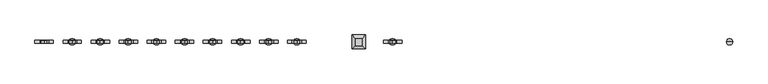
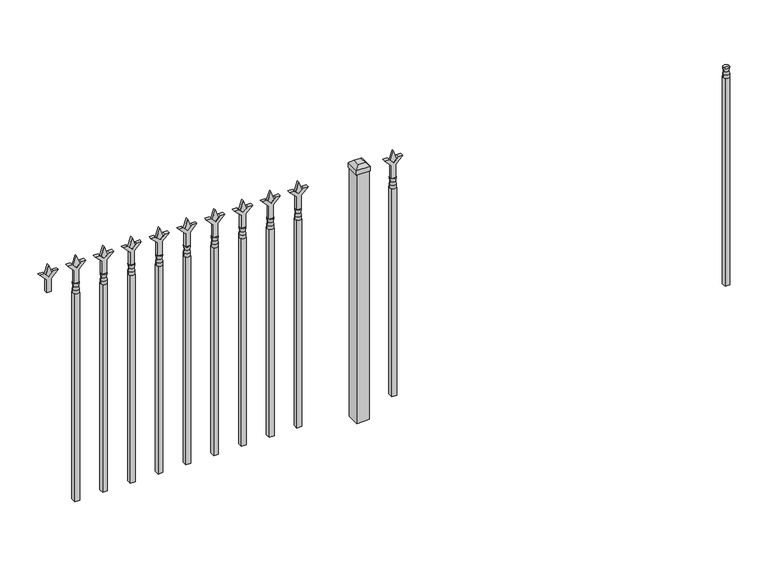
"""IFC4 building model written with IfcOpenShell, lengths in millimetres: railing geometry."""

from ifc_helpers import new_model, si_unit, frame, origin, origin_with_axes, place, context, project, spatial, polyline, circle_curve, outline, extrude, faceted_brep, source, transform, mapped, element, save
from ifc_brep_helpers import plane_surface, cylinder_surface, revolved_surface, advanced_brep


def railing_9d9645b8(model_context):
    return source(origin(), model_context, "Body", "SolidModel", [
        advanced_brep(
        [(-82699.574337, -9169.6570174, 927.1), (-82723.386837, -9169.6570174, 927.1), (-82723.386837, -9169.6570174, 914.4), (-82699.574337, -9169.6570174, 914.4), (-82701.7796688, -9169.6570174, 939.6070585), (-82721.1815051, -9169.6570174, 939.6070585), (-82699.574337, -9169.6570174, 955.675), (-82723.386837, -9169.6570174, 955.675), (-82711.480587, -9169.6570174, 955.675), (-82711.480587, -9169.6570174, 914.4)],
        [
            (0, 1, circle_curve(frame((-82711.480587, -9169.6570174, 927.1), z_axis=(0.0, 0.0, -1.0), x_axis=(-1.0, 0.0, 0.0)), 11.90625)),
            (1, 2),
            (2, 3, circle_curve(frame((-82711.480587, -9169.6570174, 914.4), z_axis=(0.0, 0.0, 1.0), x_axis=(-1.0, 0.0, 0.0)), 11.90625)),
            (3, 0),
            (1, 0, circle_curve(frame((-82711.480587, -9169.6570174, 927.1), z_axis=(0.0, 0.0, -1.0), x_axis=(-1.0, 0.0, 0.0)), 11.90625)),
            (3, 2, circle_curve(frame((-82711.480587, -9169.6570174, 914.4), z_axis=(0.0, 0.0, 1.0), x_axis=(-1.0, 0.0, 0.0)), 11.90625)),
            (4, 5, circle_curve(frame((-82711.480587, -9169.6570174, 939.6070585), z_axis=(0.0, 0.0, -1.0), x_axis=(-1.0, 0.0, 0.0)), 9.7009181)),
            (5, 1),
            (0, 4),
            (5, 4, circle_curve(frame((-82711.480587, -9169.6570174, 939.6070585), z_axis=(0.0, 0.0, -1.0), x_axis=(-1.0, 0.0, 0.0)), 9.7009181)),
            (6, 7, circle_curve(frame((-82711.480587, -9169.6570174, 955.675), z_axis=(0.0, 0.0, -1.0), x_axis=(-1.0, 0.0, 0.0)), 11.90625)),
            (7, 5),
            (4, 6),
            (7, 6, circle_curve(frame((-82711.480587, -9169.6570174, 955.675), z_axis=(0.0, 0.0, -1.0), x_axis=(-1.0, 0.0, 0.0)), 11.90625)),
            (8, 7),
            (6, 8),
            (2, 9),
            (9, 3),
        ],
        [
            cylinder_surface(frame((-82711.480587, -9169.6570174, 914.4), z_axis=(0.0, 0.0, 1.0), x_axis=(-1.0, 0.0, 0.0)), 11.90625),
            revolved_surface(polyline([(-82723.386837, -9169.6570174, 927.1), (-82721.1815051, -9169.6570174, 939.6070585)]), (-82711.480587, -9169.6570174, 914.4), (0.0, 0.0, 1.0)),
            revolved_surface(polyline([(-82721.1815051, -9169.6570174, 939.6070585), (-82723.386837, -9169.6570174, 955.675)]), (-82711.480587, -9169.6570174, 914.4), (0.0, 0.0, 1.0)),
            plane_surface(frame((-82711.480587, -9169.6570174, 955.675), z_axis=(0.0, 0.0, 1.0), x_axis=(-1.0, 0.0, 0.0))),
            plane_surface(frame((-82711.480587, -9169.6570174, 914.4), z_axis=(0.0, 0.0, -1.0), x_axis=(-1.0, 0.0, 0.0))),
        ],
        [
            (0, [[1, 2, 3, 4]]),
            (0, [[5, -4, 6, -2]]),
            (1, [[7, 8, -1, 9]]),
            (1, [[10, -9, -5, -8]]),
            (2, [[11, 12, -7, 13]]),
            (2, [[14, -13, -10, -12]]),
            (3, [[15, -11, 16]]),
            (3, [[-16, -14, -15]]),
            (4, [[-3, 17, 18]]),
            (4, [[-6, -18, -17]]),
        ],
    ),
        extrude(outline(polyline([(-82721.005587, -9160.1320174), (-82701.955587, -9160.1320174), (-82701.955587, -9179.1820174), (-82721.005587, -9179.1820174), (-82721.005587, -9160.1320174)])), frame((0.0, 0.0, 50.8), z_axis=(0.0, 0.0, 1.0), x_axis=(1.0, 0.0, 0.0)), (0.0, 0.0, 1.0), 863.6),
        extrude(outline(polyline([(1031.08125, -84010.849337), (1066.8, -84022.755587), (1031.08125, -84034.661837), (1019.175, -84022.755587), (1031.08125, -84010.849337)])), frame((0.0, -9174.4195174, 0.0), z_axis=(0.0, 1.0, 0.0), x_axis=(0.0, 0.0, 1.0)), (0.0, 0.0, 1.0), 9.525),
        extrude(outline(polyline([(955.675, -84014.024337), (1009.9457378, -84014.024337), (1037.1355122, -83986.8345625), (1037.1355122, -84004.7950747), (1019.175, -84022.755587), (1037.1355122, -84040.7160992), (1037.1355122, -84058.6766114), (1009.9457378, -84031.486837), (955.675, -84031.486837), (955.675, -84014.024337)])), frame((0.0, -9176.0070174, 0.0), z_axis=(0.0, 1.0, 0.0), x_axis=(0.0, 0.0, 1.0)), (0.0, 0.0, 1.0), 12.7),
        advanced_brep(
        [(-84010.849337, -9169.6570174, 927.1), (-84034.661837, -9169.6570174, 927.1), (-84034.661837, -9169.6570174, 914.4), (-84010.849337, -9169.6570174, 914.4), (-84013.0546688, -9169.6570174, 939.6070585), (-84032.4565051, -9169.6570174, 939.6070585), (-84010.849337, -9169.6570174, 955.675), (-84034.661837, -9169.6570174, 955.675), (-84022.755587, -9169.6570174, 955.675), (-84022.755587, -9169.6570174, 914.4)],
        [
            (0, 1, circle_curve(frame((-84022.755587, -9169.6570174, 927.1), z_axis=(0.0, 0.0, -1.0), x_axis=(-1.0, 0.0, 0.0)), 11.90625)),
            (1, 2),
            (2, 3, circle_curve(frame((-84022.755587, -9169.6570174, 914.4), z_axis=(0.0, 0.0, 1.0), x_axis=(-1.0, 0.0, 0.0)), 11.90625)),
            (3, 0),
            (1, 0, circle_curve(frame((-84022.755587, -9169.6570174, 927.1), z_axis=(0.0, 0.0, -1.0), x_axis=(-1.0, 0.0, 0.0)), 11.90625)),
            (3, 2, circle_curve(frame((-84022.755587, -9169.6570174, 914.4), z_axis=(0.0, 0.0, 1.0), x_axis=(-1.0, 0.0, 0.0)), 11.90625)),
            (4, 5, circle_curve(frame((-84022.755587, -9169.6570174, 939.6070585), z_axis=(0.0, 0.0, -1.0), x_axis=(-1.0, 0.0, 0.0)), 9.7009181)),
            (5, 1),
            (0, 4),
            (5, 4, circle_curve(frame((-84022.755587, -9169.6570174, 939.6070585), z_axis=(0.0, 0.0, -1.0), x_axis=(-1.0, 0.0, 0.0)), 9.7009181)),
            (6, 7, circle_curve(frame((-84022.755587, -9169.6570174, 955.675), z_axis=(0.0, 0.0, -1.0), x_axis=(-1.0, 0.0, 0.0)), 11.90625)),
            (7, 5),
            (4, 6),
            (7, 6, circle_curve(frame((-84022.755587, -9169.6570174, 955.675), z_axis=(0.0, 0.0, -1.0), x_axis=(-1.0, 0.0, 0.0)), 11.90625)),
            (8, 7),
            (6, 8),
            (2, 9),
            (9, 3),
        ],
        [
            cylinder_surface(frame((-84022.755587, -9169.6570174, 914.4), z_axis=(0.0, 0.0, 1.0), x_axis=(-1.0, 0.0, 0.0)), 11.90625),
            revolved_surface(polyline([(-84034.661837, -9169.6570174, 927.1), (-84032.4565051, -9169.6570174, 939.6070585)]), (-84022.755587, -9169.6570174, 914.4), (0.0, 0.0, 1.0)),
            revolved_surface(polyline([(-84032.4565051, -9169.6570174, 939.6070585), (-84034.661837, -9169.6570174, 955.675)]), (-84022.755587, -9169.6570174, 914.4), (0.0, 0.0, 1.0)),
            plane_surface(frame((-84022.755587, -9169.6570174, 955.675), z_axis=(0.0, 0.0, 1.0), x_axis=(-1.0, 0.0, 0.0))),
            plane_surface(frame((-84022.755587, -9169.6570174, 914.4), z_axis=(0.0, 0.0, -1.0), x_axis=(-1.0, 0.0, 0.0))),
        ],
        [
            (0, [[1, 2, 3, 4]]),
            (0, [[5, -4, 6, -2]]),
            (1, [[7, 8, -1, 9]]),
            (1, [[10, -9, -5, -8]]),
            (2, [[11, 12, -7, 13]]),
            (2, [[14, -13, -10, -12]]),
            (3, [[15, -11, 16]]),
            (3, [[-16, -14, -15]]),
            (4, [[-3, 17, 18]]),
            (4, [[-6, -18, -17]]),
        ],
    ),
        extrude(outline(polyline([(-84032.280587, -9160.1320174), (-84013.230587, -9160.1320174), (-84013.230587, -9179.1820174), (-84032.280587, -9179.1820174), (-84032.280587, -9160.1320174)])), frame((0.0, 0.0, 50.8), z_axis=(0.0, 0.0, 1.0), x_axis=(1.0, 0.0, 0.0)), (0.0, 0.0, 1.0), 863.6),
        faceted_brep([(-84181.505587, -9142.6695174, 1054.1), (-84181.505587, -9142.6695174, 1035.05), (-84181.505587, -9196.6445174, 1035.05), (-84181.505587, -9196.6445174, 1054.1), (-84168.805587, -9155.3695174, 1066.8), (-84168.805587, -9183.9445174, 1066.8), (-84127.530587, -9196.6445174, 1035.05), (-84127.530587, -9196.6445174, 1054.1), (-84140.230587, -9183.9445174, 1066.8), (-84127.530587, -9142.6695174, 1035.05), (-84127.530587, -9142.6695174, 1054.1), (-84140.230587, -9155.3695174, 1066.8)], [[[0, 1, 2, 3]], [[4, 0, 3, 5]], [[3, 2, 6, 7]], [[5, 3, 7, 8]], [[7, 6, 9, 10]], [[8, 7, 10, 11]], [[10, 9, 1, 0]], [[11, 10, 0, 4]], [[5, 8, 11, 4]], [[1, 9, 6, 2]]]),
        extrude(outline(polyline([(-84129.118087, -9144.2570174), (-84129.118087, -9195.0570174), (-84179.918087, -9195.0570174), (-84179.918087, -9144.2570174), (-84129.118087, -9144.2570174)])), origin_with_axes(), (0.0, 0.0, 1.0), 1035.05),
        extrude(outline(polyline([(1031.08125, -84383.6472536), (1066.8, -84395.5535036), (1031.08125, -84407.4597536), (1019.175, -84395.5535036), (1031.08125, -84383.6472536)])), frame((0.0, -9174.4195174, 0.0), z_axis=(0.0, 1.0, 0.0), x_axis=(0.0, 0.0, 1.0)), (0.0, 0.0, 1.0), 9.525),
        extrude(outline(polyline([(955.675, -84386.8222536), (1009.9457378, -84386.8222536), (1037.1355122, -84359.6324791), (1037.1355122, -84377.5929914), (1019.175, -84395.5535036), (1037.1355122, -84413.5140159), (1037.1355122, -84431.4745281), (1009.9457378, -84404.2847536), (955.675, -84404.2847536), (955.675, -84386.8222536)])), frame((0.0, -9176.0070174, 0.0), z_axis=(0.0, 1.0, 0.0), x_axis=(0.0, 0.0, 1.0)), (0.0, 0.0, 1.0), 12.7),
        advanced_brep(
        [(-84383.6472536, -9169.6570174, 927.1), (-84407.4597536, -9169.6570174, 927.1), (-84407.4597536, -9169.6570174, 914.4), (-84383.6472536, -9169.6570174, 914.4), (-84385.8525855, -9169.6570174, 939.6070585), (-84405.2544218, -9169.6570174, 939.6070585), (-84383.6472536, -9169.6570174, 955.675), (-84407.4597536, -9169.6570174, 955.675), (-84395.5535036, -9169.6570174, 955.675), (-84395.5535036, -9169.6570174, 914.4)],
        [
            (0, 1, circle_curve(frame((-84395.5535036, -9169.6570174, 927.1), z_axis=(0.0, 0.0, -1.0), x_axis=(-1.0, 0.0, 0.0)), 11.90625)),
            (1, 2),
            (2, 3, circle_curve(frame((-84395.5535036, -9169.6570174, 914.4), z_axis=(0.0, 0.0, 1.0), x_axis=(-1.0, 0.0, 0.0)), 11.90625)),
            (3, 0),
            (1, 0, circle_curve(frame((-84395.5535036, -9169.6570174, 927.1), z_axis=(0.0, 0.0, -1.0), x_axis=(-1.0, 0.0, 0.0)), 11.90625)),
            (3, 2, circle_curve(frame((-84395.5535036, -9169.6570174, 914.4), z_axis=(0.0, 0.0, 1.0), x_axis=(-1.0, 0.0, 0.0)), 11.90625)),
            (4, 5, circle_curve(frame((-84395.5535036, -9169.6570174, 939.6070585), z_axis=(0.0, 0.0, -1.0), x_axis=(-1.0, 0.0, 0.0)), 9.7009181)),
            (5, 1),
            (0, 4),
            (5, 4, circle_curve(frame((-84395.5535036, -9169.6570174, 939.6070585), z_axis=(0.0, 0.0, -1.0), x_axis=(-1.0, 0.0, 0.0)), 9.7009181)),
            (6, 7, circle_curve(frame((-84395.5535036, -9169.6570174, 955.675), z_axis=(0.0, 0.0, -1.0), x_axis=(-1.0, 0.0, 0.0)), 11.90625)),
            (7, 5),
            (4, 6),
            (7, 6, circle_curve(frame((-84395.5535036, -9169.6570174, 955.675), z_axis=(0.0, 0.0, -1.0), x_axis=(-1.0, 0.0, 0.0)), 11.90625)),
            (8, 7),
            (6, 8),
            (2, 9),
            (9, 3),
        ],
        [
            cylinder_surface(frame((-84395.5535036, -9169.6570174, 914.4), z_axis=(0.0, 0.0, 1.0), x_axis=(-1.0, 0.0, 0.0)), 11.90625),
            revolved_surface(polyline([(-84407.4597536, -9169.6570174, 927.1), (-84405.2544218, -9169.6570174, 939.6070585)]), (-84395.5535036, -9169.6570174, 914.4), (0.0, 0.0, 1.0)),
            revolved_surface(polyline([(-84405.2544218, -9169.6570174, 939.6070585), (-84407.4597536, -9169.6570174, 955.675)]), (-84395.5535036, -9169.6570174, 914.4), (0.0, 0.0, 1.0)),
            plane_surface(frame((-84395.5535036, -9169.6570174, 955.675), z_axis=(0.0, 0.0, 1.0), x_axis=(-1.0, 0.0, 0.0))),
            plane_surface(frame((-84395.5535036, -9169.6570174, 914.4), z_axis=(0.0, 0.0, -1.0), x_axis=(-1.0, 0.0, 0.0))),
        ],
        [
            (0, [[1, 2, 3, 4]]),
            (0, [[5, -4, 6, -2]]),
            (1, [[7, 8, -1, 9]]),
            (1, [[10, -9, -5, -8]]),
            (2, [[11, 12, -7, 13]]),
            (2, [[14, -13, -10, -12]]),
            (3, [[15, -11, 16]]),
            (3, [[-16, -14, -15]]),
            (4, [[-3, 17, 18]]),
            (4, [[-6, -18, -17]]),
        ],
    ),
        extrude(outline(polyline([(-84405.0785036, -9160.1320174), (-84386.0285036, -9160.1320174), (-84386.0285036, -9179.1820174), (-84405.0785036, -9179.1820174), (-84405.0785036, -9160.1320174)])), frame((0.0, 0.0, 50.8), z_axis=(0.0, 0.0, 1.0), x_axis=(1.0, 0.0, 0.0)), (0.0, 0.0, 1.0), 863.6),
        extrude(outline(polyline([(1031.08125, -84492.9201703), (1066.8, -84504.8264203), (1031.08125, -84516.7326703), (1019.175, -84504.8264203), (1031.08125, -84492.9201703)])), frame((0.0, -9174.4195174, 0.0), z_axis=(0.0, 1.0, 0.0), x_axis=(0.0, 0.0, 1.0)), (0.0, 0.0, 1.0), 9.525),
        extrude(outline(polyline([(955.675, -84496.0951703), (1009.9457378, -84496.0951703), (1037.1355122, -84468.9053958), (1037.1355122, -84486.8659081), (1019.175, -84504.8264203), (1037.1355122, -84522.7869325), (1037.1355122, -84540.7474448), (1009.9457378, -84513.5576703), (955.675, -84513.5576703), (955.675, -84496.0951703)])), frame((0.0, -9176.0070174, 0.0), z_axis=(0.0, 1.0, 0.0), x_axis=(0.0, 0.0, 1.0)), (0.0, 0.0, 1.0), 12.7),
        advanced_brep(
        [(-84492.9201703, -9169.6570174, 927.1), (-84516.7326703, -9169.6570174, 927.1), (-84516.7326703, -9169.6570174, 914.4), (-84492.9201703, -9169.6570174, 914.4), (-84495.1255022, -9169.6570174, 939.6070585), (-84514.5273384, -9169.6570174, 939.6070585), (-84492.9201703, -9169.6570174, 955.675), (-84516.7326703, -9169.6570174, 955.675), (-84504.8264203, -9169.6570174, 955.675), (-84504.8264203, -9169.6570174, 914.4)],
        [
            (0, 1, circle_curve(frame((-84504.8264203, -9169.6570174, 927.1), z_axis=(0.0, 0.0, -1.0), x_axis=(-1.0, 0.0, 0.0)), 11.90625)),
            (1, 2),
            (2, 3, circle_curve(frame((-84504.8264203, -9169.6570174, 914.4), z_axis=(0.0, 0.0, 1.0), x_axis=(-1.0, 0.0, 0.0)), 11.90625)),
            (3, 0),
            (1, 0, circle_curve(frame((-84504.8264203, -9169.6570174, 927.1), z_axis=(0.0, 0.0, -1.0), x_axis=(-1.0, 0.0, 0.0)), 11.90625)),
            (3, 2, circle_curve(frame((-84504.8264203, -9169.6570174, 914.4), z_axis=(0.0, 0.0, 1.0), x_axis=(-1.0, 0.0, 0.0)), 11.90625)),
            (4, 5, circle_curve(frame((-84504.8264203, -9169.6570174, 939.6070585), z_axis=(0.0, 0.0, -1.0), x_axis=(-1.0, 0.0, 0.0)), 9.7009181)),
            (5, 1),
            (0, 4),
            (5, 4, circle_curve(frame((-84504.8264203, -9169.6570174, 939.6070585), z_axis=(0.0, 0.0, -1.0), x_axis=(-1.0, 0.0, 0.0)), 9.7009181)),
            (6, 7, circle_curve(frame((-84504.8264203, -9169.6570174, 955.675), z_axis=(0.0, 0.0, -1.0), x_axis=(-1.0, 0.0, 0.0)), 11.90625)),
            (7, 5),
            (4, 6),
            (7, 6, circle_curve(frame((-84504.8264203, -9169.6570174, 955.675), z_axis=(0.0, 0.0, -1.0), x_axis=(-1.0, 0.0, 0.0)), 11.90625)),
            (8, 7),
            (6, 8),
            (2, 9),
            (9, 3),
        ],
        [
            cylinder_surface(frame((-84504.8264203, -9169.6570174, 914.4), z_axis=(0.0, 0.0, 1.0), x_axis=(-1.0, 0.0, 0.0)), 11.90625),
            revolved_surface(polyline([(-84516.7326703, -9169.6570174, 927.1), (-84514.5273384, -9169.6570174, 939.6070585)]), (-84504.8264203, -9169.6570174, 914.4), (0.0, 0.0, 1.0)),
            revolved_surface(polyline([(-84514.5273384, -9169.6570174, 939.6070585), (-84516.7326703, -9169.6570174, 955.675)]), (-84504.8264203, -9169.6570174, 914.4), (0.0, 0.0, 1.0)),
            plane_surface(frame((-84504.8264203, -9169.6570174, 955.675), z_axis=(0.0, 0.0, 1.0), x_axis=(-1.0, 0.0, 0.0))),
            plane_surface(frame((-84504.8264203, -9169.6570174, 914.4), z_axis=(0.0, 0.0, -1.0), x_axis=(-1.0, 0.0, 0.0))),
        ],
        [
            (0, [[1, 2, 3, 4]]),
            (0, [[5, -4, 6, -2]]),
            (1, [[7, 8, -1, 9]]),
            (1, [[10, -9, -5, -8]]),
            (2, [[11, 12, -7, 13]]),
            (2, [[14, -13, -10, -12]]),
            (3, [[15, -11, 16]]),
            (3, [[-16, -14, -15]]),
            (4, [[-3, 17, 18]]),
            (4, [[-6, -18, -17]]),
        ],
    ),
        extrude(outline(polyline([(-84514.3514203, -9160.1320174), (-84495.3014203, -9160.1320174), (-84495.3014203, -9179.1820174), (-84514.3514203, -9179.1820174), (-84514.3514203, -9160.1320174)])), frame((0.0, 0.0, 50.8), z_axis=(0.0, 0.0, 1.0), x_axis=(1.0, 0.0, 0.0)), (0.0, 0.0, 1.0), 863.6),
        extrude(outline(polyline([(1031.08125, -84602.193087), (1066.8, -84614.099337), (1031.08125, -84626.005587), (1019.175, -84614.099337), (1031.08125, -84602.193087)])), frame((0.0, -9174.4195174, 0.0), z_axis=(0.0, 1.0, 0.0), x_axis=(0.0, 0.0, 1.0)), (0.0, 0.0, 1.0), 9.525),
        extrude(outline(polyline([(955.675, -84605.368087), (1009.9457378, -84605.368087), (1037.1355122, -84578.1783125), (1037.1355122, -84596.1388247), (1019.175, -84614.099337), (1037.1355122, -84632.0598492), (1037.1355122, -84650.0203614), (1009.9457378, -84622.830587), (955.675, -84622.830587), (955.675, -84605.368087)])), frame((0.0, -9176.0070174, 0.0), z_axis=(0.0, 1.0, 0.0), x_axis=(0.0, 0.0, 1.0)), (0.0, 0.0, 1.0), 12.7),
        advanced_brep(
        [(-84602.193087, -9169.6570174, 927.1), (-84626.005587, -9169.6570174, 927.1), (-84626.005587, -9169.6570174, 914.4), (-84602.193087, -9169.6570174, 914.4), (-84604.3984188, -9169.6570174, 939.6070585), (-84623.8002551, -9169.6570174, 939.6070585), (-84602.193087, -9169.6570174, 955.675), (-84626.005587, -9169.6570174, 955.675), (-84614.099337, -9169.6570174, 955.675), (-84614.099337, -9169.6570174, 914.4)],
        [
            (0, 1, circle_curve(frame((-84614.099337, -9169.6570174, 927.1), z_axis=(0.0, 0.0, -1.0), x_axis=(-1.0, 0.0, 0.0)), 11.90625)),
            (1, 2),
            (2, 3, circle_curve(frame((-84614.099337, -9169.6570174, 914.4), z_axis=(0.0, 0.0, 1.0), x_axis=(-1.0, 0.0, 0.0)), 11.90625)),
            (3, 0),
            (1, 0, circle_curve(frame((-84614.099337, -9169.6570174, 927.1), z_axis=(0.0, 0.0, -1.0), x_axis=(-1.0, 0.0, 0.0)), 11.90625)),
            (3, 2, circle_curve(frame((-84614.099337, -9169.6570174, 914.4), z_axis=(0.0, 0.0, 1.0), x_axis=(-1.0, 0.0, 0.0)), 11.90625)),
            (4, 5, circle_curve(frame((-84614.099337, -9169.6570174, 939.6070585), z_axis=(0.0, 0.0, -1.0), x_axis=(-1.0, 0.0, 0.0)), 9.7009181)),
            (5, 1),
            (0, 4),
            (5, 4, circle_curve(frame((-84614.099337, -9169.6570174, 939.6070585), z_axis=(0.0, 0.0, -1.0), x_axis=(-1.0, 0.0, 0.0)), 9.7009181)),
            (6, 7, circle_curve(frame((-84614.099337, -9169.6570174, 955.675), z_axis=(0.0, 0.0, -1.0), x_axis=(-1.0, 0.0, 0.0)), 11.90625)),
            (7, 5),
            (4, 6),
            (7, 6, circle_curve(frame((-84614.099337, -9169.6570174, 955.675), z_axis=(0.0, 0.0, -1.0), x_axis=(-1.0, 0.0, 0.0)), 11.90625)),
            (8, 7),
            (6, 8),
            (2, 9),
            (9, 3),
        ],
        [
            cylinder_surface(frame((-84614.099337, -9169.6570174, 914.4), z_axis=(0.0, 0.0, 1.0), x_axis=(-1.0, 0.0, 0.0)), 11.90625),
            revolved_surface(polyline([(-84626.005587, -9169.6570174, 927.1), (-84623.8002551, -9169.6570174, 939.6070585)]), (-84614.099337, -9169.6570174, 914.4), (0.0, 0.0, 1.0)),
            revolved_surface(polyline([(-84623.8002551, -9169.6570174, 939.6070585), (-84626.005587, -9169.6570174, 955.675)]), (-84614.099337, -9169.6570174, 914.4), (0.0, 0.0, 1.0)),
            plane_surface(frame((-84614.099337, -9169.6570174, 955.675), z_axis=(0.0, 0.0, 1.0), x_axis=(-1.0, 0.0, 0.0))),
            plane_surface(frame((-84614.099337, -9169.6570174, 914.4), z_axis=(0.0, 0.0, -1.0), x_axis=(-1.0, 0.0, 0.0))),
        ],
        [
            (0, [[1, 2, 3, 4]]),
            (0, [[5, -4, 6, -2]]),
            (1, [[7, 8, -1, 9]]),
            (1, [[10, -9, -5, -8]]),
            (2, [[11, 12, -7, 13]]),
            (2, [[14, -13, -10, -12]]),
            (3, [[15, -11, 16]]),
            (3, [[-16, -14, -15]]),
            (4, [[-3, 17, 18]]),
            (4, [[-6, -18, -17]]),
        ],
    ),
        extrude(outline(polyline([(-84623.624337, -9160.1320174), (-84604.574337, -9160.1320174), (-84604.574337, -9179.1820174), (-84623.624337, -9179.1820174), (-84623.624337, -9160.1320174)])), frame((0.0, 0.0, 50.8), z_axis=(0.0, 0.0, 1.0), x_axis=(1.0, 0.0, 0.0)), (0.0, 0.0, 1.0), 863.6),
        extrude(outline(polyline([(1031.08125, -84711.4660036), (1066.8, -84723.3722536), (1031.08125, -84735.2785036), (1019.175, -84723.3722536), (1031.08125, -84711.4660036)])), frame((0.0, -9174.4195174, 0.0), z_axis=(0.0, 1.0, 0.0), x_axis=(0.0, 0.0, 1.0)), (0.0, 0.0, 1.0), 9.525),
        extrude(outline(polyline([(955.675, -84714.6410036), (1009.9457378, -84714.6410036), (1037.1355122, -84687.4512291), (1037.1355122, -84705.4117414), (1019.175, -84723.3722536), (1037.1355122, -84741.3327659), (1037.1355122, -84759.2932781), (1009.9457378, -84732.1035036), (955.675, -84732.1035036), (955.675, -84714.6410036)])), frame((0.0, -9176.0070174, 0.0), z_axis=(0.0, 1.0, 0.0), x_axis=(0.0, 0.0, 1.0)), (0.0, 0.0, 1.0), 12.7),
        advanced_brep(
        [(-84711.4660036, -9169.6570174, 927.1), (-84735.2785036, -9169.6570174, 927.1), (-84735.2785036, -9169.6570174, 914.4), (-84711.4660036, -9169.6570174, 914.4), (-84713.6713355, -9169.6570174, 939.6070585), (-84733.0731718, -9169.6570174, 939.6070585), (-84711.4660036, -9169.6570174, 955.675), (-84735.2785036, -9169.6570174, 955.675), (-84723.3722536, -9169.6570174, 955.675), (-84723.3722536, -9169.6570174, 914.4)],
        [
            (0, 1, circle_curve(frame((-84723.3722536, -9169.6570174, 927.1), z_axis=(0.0, 0.0, -1.0), x_axis=(-1.0, 0.0, 0.0)), 11.90625)),
            (1, 2),
            (2, 3, circle_curve(frame((-84723.3722536, -9169.6570174, 914.4), z_axis=(0.0, 0.0, 1.0), x_axis=(-1.0, 0.0, 0.0)), 11.90625)),
            (3, 0),
            (1, 0, circle_curve(frame((-84723.3722536, -9169.6570174, 927.1), z_axis=(0.0, 0.0, -1.0), x_axis=(-1.0, 0.0, 0.0)), 11.90625)),
            (3, 2, circle_curve(frame((-84723.3722536, -9169.6570174, 914.4), z_axis=(0.0, 0.0, 1.0), x_axis=(-1.0, 0.0, 0.0)), 11.90625)),
            (4, 5, circle_curve(frame((-84723.3722536, -9169.6570174, 939.6070585), z_axis=(0.0, 0.0, -1.0), x_axis=(-1.0, 0.0, 0.0)), 9.7009181)),
            (5, 1),
            (0, 4),
            (5, 4, circle_curve(frame((-84723.3722536, -9169.6570174, 939.6070585), z_axis=(0.0, 0.0, -1.0), x_axis=(-1.0, 0.0, 0.0)), 9.7009181)),
            (6, 7, circle_curve(frame((-84723.3722536, -9169.6570174, 955.675), z_axis=(0.0, 0.0, -1.0), x_axis=(-1.0, 0.0, 0.0)), 11.90625)),
            (7, 5),
            (4, 6),
            (7, 6, circle_curve(frame((-84723.3722536, -9169.6570174, 955.675), z_axis=(0.0, 0.0, -1.0), x_axis=(-1.0, 0.0, 0.0)), 11.90625)),
            (8, 7),
            (6, 8),
            (2, 9),
            (9, 3),
        ],
        [
            cylinder_surface(frame((-84723.3722536, -9169.6570174, 914.4), z_axis=(0.0, 0.0, 1.0), x_axis=(-1.0, 0.0, 0.0)), 11.90625),
            revolved_surface(polyline([(-84735.2785036, -9169.6570174, 927.1), (-84733.0731718, -9169.6570174, 939.6070585)]), (-84723.3722536, -9169.6570174, 914.4), (0.0, 0.0, 1.0)),
            revolved_surface(polyline([(-84733.0731718, -9169.6570174, 939.6070585), (-84735.2785036, -9169.6570174, 955.675)]), (-84723.3722536, -9169.6570174, 914.4), (0.0, 0.0, 1.0)),
            plane_surface(frame((-84723.3722536, -9169.6570174, 955.675), z_axis=(0.0, 0.0, 1.0), x_axis=(-1.0, 0.0, 0.0))),
            plane_surface(frame((-84723.3722536, -9169.6570174, 914.4), z_axis=(0.0, 0.0, -1.0), x_axis=(-1.0, 0.0, 0.0))),
        ],
        [
            (0, [[1, 2, 3, 4]]),
            (0, [[5, -4, 6, -2]]),
            (1, [[7, 8, -1, 9]]),
            (1, [[10, -9, -5, -8]]),
            (2, [[11, 12, -7, 13]]),
            (2, [[14, -13, -10, -12]]),
            (3, [[15, -11, 16]]),
            (3, [[-16, -14, -15]]),
            (4, [[-3, 17, 18]]),
            (4, [[-6, -18, -17]]),
        ],
    ),
        extrude(outline(polyline([(-84732.8972536, -9160.1320174), (-84713.8472536, -9160.1320174), (-84713.8472536, -9179.1820174), (-84732.8972536, -9179.1820174), (-84732.8972536, -9160.1320174)])), frame((0.0, 0.0, 50.8), z_axis=(0.0, 0.0, 1.0), x_axis=(1.0, 0.0, 0.0)), (0.0, 0.0, 1.0), 863.6),
        extrude(outline(polyline([(1031.08125, -84820.7389203), (1066.8, -84832.6451703), (1031.08125, -84844.5514203), (1019.175, -84832.6451703), (1031.08125, -84820.7389203)])), frame((0.0, -9174.4195174, 0.0), z_axis=(0.0, 1.0, 0.0), x_axis=(0.0, 0.0, 1.0)), (0.0, 0.0, 1.0), 9.525),
        extrude(outline(polyline([(955.675, -84823.9139203), (1009.9457378, -84823.9139203), (1037.1355122, -84796.7241458), (1037.1355122, -84814.6846581), (1019.175, -84832.6451703), (1037.1355122, -84850.6056825), (1037.1355122, -84868.5661948), (1009.9457378, -84841.3764203), (955.675, -84841.3764203), (955.675, -84823.9139203)])), frame((0.0, -9176.0070174, 0.0), z_axis=(0.0, 1.0, 0.0), x_axis=(0.0, 0.0, 1.0)), (0.0, 0.0, 1.0), 12.7),
        advanced_brep(
        [(-84820.7389203, -9169.6570174, 927.1), (-84844.5514203, -9169.6570174, 927.1), (-84844.5514203, -9169.6570174, 914.4), (-84820.7389203, -9169.6570174, 914.4), (-84822.9442522, -9169.6570174, 939.6070585), (-84842.3460884, -9169.6570174, 939.6070585), (-84820.7389203, -9169.6570174, 955.675), (-84844.5514203, -9169.6570174, 955.675), (-84832.6451703, -9169.6570174, 955.675), (-84832.6451703, -9169.6570174, 914.4)],
        [
            (0, 1, circle_curve(frame((-84832.6451703, -9169.6570174, 927.1), z_axis=(0.0, 0.0, -1.0), x_axis=(-1.0, 0.0, 0.0)), 11.90625)),
            (1, 2),
            (2, 3, circle_curve(frame((-84832.6451703, -9169.6570174, 914.4), z_axis=(0.0, 0.0, 1.0), x_axis=(-1.0, 0.0, 0.0)), 11.90625)),
            (3, 0),
            (1, 0, circle_curve(frame((-84832.6451703, -9169.6570174, 927.1), z_axis=(0.0, 0.0, -1.0), x_axis=(-1.0, 0.0, 0.0)), 11.90625)),
            (3, 2, circle_curve(frame((-84832.6451703, -9169.6570174, 914.4), z_axis=(0.0, 0.0, 1.0), x_axis=(-1.0, 0.0, 0.0)), 11.90625)),
            (4, 5, circle_curve(frame((-84832.6451703, -9169.6570174, 939.6070585), z_axis=(0.0, 0.0, -1.0), x_axis=(-1.0, 0.0, 0.0)), 9.7009181)),
            (5, 1),
            (0, 4),
            (5, 4, circle_curve(frame((-84832.6451703, -9169.6570174, 939.6070585), z_axis=(0.0, 0.0, -1.0), x_axis=(-1.0, 0.0, 0.0)), 9.7009181)),
            (6, 7, circle_curve(frame((-84832.6451703, -9169.6570174, 955.675), z_axis=(0.0, 0.0, -1.0), x_axis=(-1.0, 0.0, 0.0)), 11.90625)),
            (7, 5),
            (4, 6),
            (7, 6, circle_curve(frame((-84832.6451703, -9169.6570174, 955.675), z_axis=(0.0, 0.0, -1.0), x_axis=(-1.0, 0.0, 0.0)), 11.90625)),
            (8, 7),
            (6, 8),
            (2, 9),
            (9, 3),
        ],
        [
            cylinder_surface(frame((-84832.6451703, -9169.6570174, 914.4), z_axis=(0.0, 0.0, 1.0), x_axis=(-1.0, 0.0, 0.0)), 11.90625),
            revolved_surface(polyline([(-84844.5514203, -9169.6570174, 927.1), (-84842.3460884, -9169.6570174, 939.6070585)]), (-84832.6451703, -9169.6570174, 914.4), (0.0, 0.0, 1.0)),
            revolved_surface(polyline([(-84842.3460884, -9169.6570174, 939.6070585), (-84844.5514203, -9169.6570174, 955.675)]), (-84832.6451703, -9169.6570174, 914.4), (0.0, 0.0, 1.0)),
            plane_surface(frame((-84832.6451703, -9169.6570174, 955.675), z_axis=(0.0, 0.0, 1.0), x_axis=(-1.0, 0.0, 0.0))),
            plane_surface(frame((-84832.6451703, -9169.6570174, 914.4), z_axis=(0.0, 0.0, -1.0), x_axis=(-1.0, 0.0, 0.0))),
        ],
        [
            (0, [[1, 2, 3, 4]]),
            (0, [[5, -4, 6, -2]]),
            (1, [[7, 8, -1, 9]]),
            (1, [[10, -9, -5, -8]]),
            (2, [[11, 12, -7, 13]]),
            (2, [[14, -13, -10, -12]]),
            (3, [[15, -11, 16]]),
            (3, [[-16, -14, -15]]),
            (4, [[-3, 17, 18]]),
            (4, [[-6, -18, -17]]),
        ],
    ),
        extrude(outline(polyline([(-84842.1701703, -9160.1320174), (-84823.1201703, -9160.1320174), (-84823.1201703, -9179.1820174), (-84842.1701703, -9179.1820174), (-84842.1701703, -9160.1320174)])), frame((0.0, 0.0, 50.8), z_axis=(0.0, 0.0, 1.0), x_axis=(1.0, 0.0, 0.0)), (0.0, 0.0, 1.0), 863.6),
        extrude(outline(polyline([(1031.08125, -84930.011837), (1066.8, -84941.918087), (1031.08125, -84953.824337), (1019.175, -84941.918087), (1031.08125, -84930.011837)])), frame((0.0, -9174.4195174, 0.0), z_axis=(0.0, 1.0, 0.0), x_axis=(0.0, 0.0, 1.0)), (0.0, 0.0, 1.0), 9.525),
        extrude(outline(polyline([(955.675, -84933.186837), (1009.9457378, -84933.186837), (1037.1355122, -84905.9970625), (1037.1355122, -84923.9575747), (1019.175, -84941.918087), (1037.1355122, -84959.8785992), (1037.1355122, -84977.8391114), (1009.9457378, -84950.649337), (955.675, -84950.649337), (955.675, -84933.186837)])), frame((0.0, -9176.0070174, 0.0), z_axis=(0.0, 1.0, 0.0), x_axis=(0.0, 0.0, 1.0)), (0.0, 0.0, 1.0), 12.7),
        advanced_brep(
        [(-84930.011837, -9169.6570174, 927.1), (-84953.824337, -9169.6570174, 927.1), (-84953.824337, -9169.6570174, 914.4), (-84930.011837, -9169.6570174, 914.4), (-84932.2171688, -9169.6570174, 939.6070585), (-84951.6190051, -9169.6570174, 939.6070585), (-84930.011837, -9169.6570174, 955.675), (-84953.824337, -9169.6570174, 955.675), (-84941.918087, -9169.6570174, 955.675), (-84941.918087, -9169.6570174, 914.4)],
        [
            (0, 1, circle_curve(frame((-84941.918087, -9169.6570174, 927.1), z_axis=(0.0, 0.0, -1.0), x_axis=(-1.0, 0.0, 0.0)), 11.90625)),
            (1, 2),
            (2, 3, circle_curve(frame((-84941.918087, -9169.6570174, 914.4), z_axis=(0.0, 0.0, 1.0), x_axis=(-1.0, 0.0, 0.0)), 11.90625)),
            (3, 0),
            (1, 0, circle_curve(frame((-84941.918087, -9169.6570174, 927.1), z_axis=(0.0, 0.0, -1.0), x_axis=(-1.0, 0.0, 0.0)), 11.90625)),
            (3, 2, circle_curve(frame((-84941.918087, -9169.6570174, 914.4), z_axis=(0.0, 0.0, 1.0), x_axis=(-1.0, 0.0, 0.0)), 11.90625)),
            (4, 5, circle_curve(frame((-84941.918087, -9169.6570174, 939.6070585), z_axis=(0.0, 0.0, -1.0), x_axis=(-1.0, 0.0, 0.0)), 9.7009181)),
            (5, 1),
            (0, 4),
            (5, 4, circle_curve(frame((-84941.918087, -9169.6570174, 939.6070585), z_axis=(0.0, 0.0, -1.0), x_axis=(-1.0, 0.0, 0.0)), 9.7009181)),
            (6, 7, circle_curve(frame((-84941.918087, -9169.6570174, 955.675), z_axis=(0.0, 0.0, -1.0), x_axis=(-1.0, 0.0, 0.0)), 11.90625)),
            (7, 5),
            (4, 6),
            (7, 6, circle_curve(frame((-84941.918087, -9169.6570174, 955.675), z_axis=(0.0, 0.0, -1.0), x_axis=(-1.0, 0.0, 0.0)), 11.90625)),
            (8, 7),
            (6, 8),
            (2, 9),
            (9, 3),
        ],
        [
            cylinder_surface(frame((-84941.918087, -9169.6570174, 914.4), z_axis=(0.0, 0.0, 1.0), x_axis=(-1.0, 0.0, 0.0)), 11.90625),
            revolved_surface(polyline([(-84953.824337, -9169.6570174, 927.1), (-84951.6190051, -9169.6570174, 939.6070585)]), (-84941.918087, -9169.6570174, 914.4), (0.0, 0.0, 1.0)),
            revolved_surface(polyline([(-84951.6190051, -9169.6570174, 939.6070585), (-84953.824337, -9169.6570174, 955.675)]), (-84941.918087, -9169.6570174, 914.4), (0.0, 0.0, 1.0)),
            plane_surface(frame((-84941.918087, -9169.6570174, 955.675), z_axis=(0.0, 0.0, 1.0), x_axis=(-1.0, 0.0, 0.0))),
            plane_surface(frame((-84941.918087, -9169.6570174, 914.4), z_axis=(0.0, 0.0, -1.0), x_axis=(-1.0, 0.0, 0.0))),
        ],
        [
            (0, [[1, 2, 3, 4]]),
            (0, [[5, -4, 6, -2]]),
            (1, [[7, 8, -1, 9]]),
            (1, [[10, -9, -5, -8]]),
            (2, [[11, 12, -7, 13]]),
            (2, [[14, -13, -10, -12]]),
            (3, [[15, -11, 16]]),
            (3, [[-16, -14, -15]]),
            (4, [[-3, 17, 18]]),
            (4, [[-6, -18, -17]]),
        ],
    ),
        extrude(outline(polyline([(-84951.443087, -9160.1320174), (-84932.393087, -9160.1320174), (-84932.393087, -9179.1820174), (-84951.443087, -9179.1820174), (-84951.443087, -9160.1320174)])), frame((0.0, 0.0, 50.8), z_axis=(0.0, 0.0, 1.0), x_axis=(1.0, 0.0, 0.0)), (0.0, 0.0, 1.0), 863.6),
        extrude(outline(polyline([(1031.08125, -85039.2847536), (1066.8, -85051.1910036), (1031.08125, -85063.0972536), (1019.175, -85051.1910036), (1031.08125, -85039.2847536)])), frame((0.0, -9174.4195174, 0.0), z_axis=(0.0, 1.0, 0.0), x_axis=(0.0, 0.0, 1.0)), (0.0, 0.0, 1.0), 9.525),
        extrude(outline(polyline([(955.675, -85042.4597536), (1009.9457378, -85042.4597536), (1037.1355122, -85015.2699791), (1037.1355122, -85033.2304914), (1019.175, -85051.1910036), (1037.1355122, -85069.1515159), (1037.1355122, -85087.1120281), (1009.9457378, -85059.9222536), (955.675, -85059.9222536), (955.675, -85042.4597536)])), frame((0.0, -9176.0070174, 0.0), z_axis=(0.0, 1.0, 0.0), x_axis=(0.0, 0.0, 1.0)), (0.0, 0.0, 1.0), 12.7),
        advanced_brep(
        [(-85039.2847536, -9169.6570174, 927.1), (-85063.0972536, -9169.6570174, 927.1), (-85063.0972536, -9169.6570174, 914.4), (-85039.2847536, -9169.6570174, 914.4), (-85041.4900855, -9169.6570174, 939.6070585), (-85060.8919218, -9169.6570174, 939.6070585), (-85039.2847536, -9169.6570174, 955.675), (-85063.0972536, -9169.6570174, 955.675), (-85051.1910036, -9169.6570174, 955.675), (-85051.1910036, -9169.6570174, 914.4)],
        [
            (0, 1, circle_curve(frame((-85051.1910036, -9169.6570174, 927.1), z_axis=(0.0, 0.0, -1.0), x_axis=(-1.0, 0.0, 0.0)), 11.90625)),
            (1, 2),
            (2, 3, circle_curve(frame((-85051.1910036, -9169.6570174, 914.4), z_axis=(0.0, 0.0, 1.0), x_axis=(-1.0, 0.0, 0.0)), 11.90625)),
            (3, 0),
            (1, 0, circle_curve(frame((-85051.1910036, -9169.6570174, 927.1), z_axis=(0.0, 0.0, -1.0), x_axis=(-1.0, 0.0, 0.0)), 11.90625)),
            (3, 2, circle_curve(frame((-85051.1910036, -9169.6570174, 914.4), z_axis=(0.0, 0.0, 1.0), x_axis=(-1.0, 0.0, 0.0)), 11.90625)),
            (4, 5, circle_curve(frame((-85051.1910036, -9169.6570174, 939.6070585), z_axis=(0.0, 0.0, -1.0), x_axis=(-1.0, 0.0, 0.0)), 9.7009181)),
            (5, 1),
            (0, 4),
            (5, 4, circle_curve(frame((-85051.1910036, -9169.6570174, 939.6070585), z_axis=(0.0, 0.0, -1.0), x_axis=(-1.0, 0.0, 0.0)), 9.7009181)),
            (6, 7, circle_curve(frame((-85051.1910036, -9169.6570174, 955.675), z_axis=(0.0, 0.0, -1.0), x_axis=(-1.0, 0.0, 0.0)), 11.90625)),
            (7, 5),
            (4, 6),
            (7, 6, circle_curve(frame((-85051.1910036, -9169.6570174, 955.675), z_axis=(0.0, 0.0, -1.0), x_axis=(-1.0, 0.0, 0.0)), 11.90625)),
            (8, 7),
            (6, 8),
            (2, 9),
            (9, 3),
        ],
        [
            cylinder_surface(frame((-85051.1910036, -9169.6570174, 914.4), z_axis=(0.0, 0.0, 1.0), x_axis=(-1.0, 0.0, 0.0)), 11.90625),
            revolved_surface(polyline([(-85063.0972536, -9169.6570174, 927.1), (-85060.8919218, -9169.6570174, 939.6070585)]), (-85051.1910036, -9169.6570174, 914.4), (0.0, 0.0, 1.0)),
            revolved_surface(polyline([(-85060.8919218, -9169.6570174, 939.6070585), (-85063.0972536, -9169.6570174, 955.675)]), (-85051.1910036, -9169.6570174, 914.4), (0.0, 0.0, 1.0)),
            plane_surface(frame((-85051.1910036, -9169.6570174, 955.675), z_axis=(0.0, 0.0, 1.0), x_axis=(-1.0, 0.0, 0.0))),
            plane_surface(frame((-85051.1910036, -9169.6570174, 914.4), z_axis=(0.0, 0.0, -1.0), x_axis=(-1.0, 0.0, 0.0))),
        ],
        [
            (0, [[1, 2, 3, 4]]),
            (0, [[5, -4, 6, -2]]),
            (1, [[7, 8, -1, 9]]),
            (1, [[10, -9, -5, -8]]),
            (2, [[11, 12, -7, 13]]),
            (2, [[14, -13, -10, -12]]),
            (3, [[15, -11, 16]]),
            (3, [[-16, -14, -15]]),
            (4, [[-3, 17, 18]]),
            (4, [[-6, -18, -17]]),
        ],
    ),
        extrude(outline(polyline([(-85060.7160036, -9160.1320174), (-85041.6660036, -9160.1320174), (-85041.6660036, -9179.1820174), (-85060.7160036, -9179.1820174), (-85060.7160036, -9160.1320174)])), frame((0.0, 0.0, 50.8), z_axis=(0.0, 0.0, 1.0), x_axis=(1.0, 0.0, 0.0)), (0.0, 0.0, 1.0), 863.6),
        extrude(outline(polyline([(1031.08125, -85148.5576703), (1066.8, -85160.4639203), (1031.08125, -85172.3701703), (1019.175, -85160.4639203), (1031.08125, -85148.5576703)])), frame((0.0, -9174.4195174, 0.0), z_axis=(0.0, 1.0, 0.0), x_axis=(0.0, 0.0, 1.0)), (0.0, 0.0, 1.0), 9.525),
        extrude(outline(polyline([(955.675, -85151.7326703), (1009.9457378, -85151.7326703), (1037.1355122, -85124.5428958), (1037.1355122, -85142.5034081), (1019.175, -85160.4639203), (1037.1355122, -85178.4244325), (1037.1355122, -85196.3849448), (1009.9457378, -85169.1951703), (955.675, -85169.1951703), (955.675, -85151.7326703)])), frame((0.0, -9176.0070174, 0.0), z_axis=(0.0, 1.0, 0.0), x_axis=(0.0, 0.0, 1.0)), (0.0, 0.0, 1.0), 12.7),
        advanced_brep(
        [(-85148.5576703, -9169.6570174, 927.1), (-85172.3701703, -9169.6570174, 927.1), (-85172.3701703, -9169.6570174, 914.4), (-85148.5576703, -9169.6570174, 914.4), (-85150.7630022, -9169.6570174, 939.6070585), (-85170.1648384, -9169.6570174, 939.6070585), (-85148.5576703, -9169.6570174, 955.675), (-85172.3701703, -9169.6570174, 955.675), (-85160.4639203, -9169.6570174, 955.675), (-85160.4639203, -9169.6570174, 914.4)],
        [
            (0, 1, circle_curve(frame((-85160.4639203, -9169.6570174, 927.1), z_axis=(0.0, 0.0, -1.0), x_axis=(-1.0, 0.0, 0.0)), 11.90625)),
            (1, 2),
            (2, 3, circle_curve(frame((-85160.4639203, -9169.6570174, 914.4), z_axis=(0.0, 0.0, 1.0), x_axis=(-1.0, 0.0, 0.0)), 11.90625)),
            (3, 0),
            (1, 0, circle_curve(frame((-85160.4639203, -9169.6570174, 927.1), z_axis=(0.0, 0.0, -1.0), x_axis=(-1.0, 0.0, 0.0)), 11.90625)),
            (3, 2, circle_curve(frame((-85160.4639203, -9169.6570174, 914.4), z_axis=(0.0, 0.0, 1.0), x_axis=(-1.0, 0.0, 0.0)), 11.90625)),
            (4, 5, circle_curve(frame((-85160.4639203, -9169.6570174, 939.6070585), z_axis=(0.0, 0.0, -1.0), x_axis=(-1.0, 0.0, 0.0)), 9.7009181)),
            (5, 1),
            (0, 4),
            (5, 4, circle_curve(frame((-85160.4639203, -9169.6570174, 939.6070585), z_axis=(0.0, 0.0, -1.0), x_axis=(-1.0, 0.0, 0.0)), 9.7009181)),
            (6, 7, circle_curve(frame((-85160.4639203, -9169.6570174, 955.675), z_axis=(0.0, 0.0, -1.0), x_axis=(-1.0, 0.0, 0.0)), 11.90625)),
            (7, 5),
            (4, 6),
            (7, 6, circle_curve(frame((-85160.4639203, -9169.6570174, 955.675), z_axis=(0.0, 0.0, -1.0), x_axis=(-1.0, 0.0, 0.0)), 11.90625)),
            (8, 7),
            (6, 8),
            (2, 9),
            (9, 3),
        ],
        [
            cylinder_surface(frame((-85160.4639203, -9169.6570174, 914.4), z_axis=(0.0, 0.0, 1.0), x_axis=(-1.0, 0.0, 0.0)), 11.90625),
            revolved_surface(polyline([(-85172.3701703, -9169.6570174, 927.1), (-85170.1648384, -9169.6570174, 939.6070585)]), (-85160.4639203, -9169.6570174, 914.4), (0.0, 0.0, 1.0)),
            revolved_surface(polyline([(-85170.1648384, -9169.6570174, 939.6070585), (-85172.3701703, -9169.6570174, 955.675)]), (-85160.4639203, -9169.6570174, 914.4), (0.0, 0.0, 1.0)),
            plane_surface(frame((-85160.4639203, -9169.6570174, 955.675), z_axis=(0.0, 0.0, 1.0), x_axis=(-1.0, 0.0, 0.0))),
            plane_surface(frame((-85160.4639203, -9169.6570174, 914.4), z_axis=(0.0, 0.0, -1.0), x_axis=(-1.0, 0.0, 0.0))),
        ],
        [
            (0, [[1, 2, 3, 4]]),
            (0, [[5, -4, 6, -2]]),
            (1, [[7, 8, -1, 9]]),
            (1, [[10, -9, -5, -8]]),
            (2, [[11, 12, -7, 13]]),
            (2, [[14, -13, -10, -12]]),
            (3, [[15, -11, 16]]),
            (3, [[-16, -14, -15]]),
            (4, [[-3, 17, 18]]),
            (4, [[-6, -18, -17]]),
        ],
    ),
        extrude(outline(polyline([(-85169.9889203, -9160.1320174), (-85150.9389203, -9160.1320174), (-85150.9389203, -9179.1820174), (-85169.9889203, -9179.1820174), (-85169.9889203, -9160.1320174)])), frame((0.0, 0.0, 50.8), z_axis=(0.0, 0.0, 1.0), x_axis=(1.0, 0.0, 0.0)), (0.0, 0.0, 1.0), 863.6),
        extrude(outline(polyline([(1031.08125, -85257.830587), (1066.8, -85269.736837), (1031.08125, -85281.643087), (1019.175, -85269.736837), (1031.08125, -85257.830587)])), frame((0.0, -9174.4195174, 0.0), z_axis=(0.0, 1.0, 0.0), x_axis=(0.0, 0.0, 1.0)), (0.0, 0.0, 1.0), 9.525),
        extrude(outline(polyline([(955.675, -85261.005587), (1009.9457378, -85261.005587), (1037.1355122, -85233.8158125), (1037.1355122, -85251.7763247), (1019.175, -85269.736837), (1037.1355122, -85287.6973492), (1037.1355122, -85305.6578614), (1009.9457378, -85278.468087), (955.675, -85278.468087), (955.675, -85261.005587)])), frame((0.0, -9176.0070174, 0.0), z_axis=(0.0, 1.0, 0.0), x_axis=(0.0, 0.0, 1.0)), (0.0, 0.0, 1.0), 12.7),
        advanced_brep(
        [(-85257.830587, -9169.6570174, 927.1), (-85281.643087, -9169.6570174, 927.1), (-85281.643087, -9169.6570174, 914.4), (-85257.830587, -9169.6570174, 914.4), (-85260.0359188, -9169.6570174, 939.6070585), (-85279.4377551, -9169.6570174, 939.6070585), (-85257.830587, -9169.6570174, 955.675), (-85281.643087, -9169.6570174, 955.675), (-85269.736837, -9169.6570174, 955.675), (-85269.736837, -9169.6570174, 914.4)],
        [
            (0, 1, circle_curve(frame((-85269.736837, -9169.6570174, 927.1), z_axis=(0.0, 0.0, -1.0), x_axis=(-1.0, 0.0, 0.0)), 11.90625)),
            (1, 2),
            (2, 3, circle_curve(frame((-85269.736837, -9169.6570174, 914.4), z_axis=(0.0, 0.0, 1.0), x_axis=(-1.0, 0.0, 0.0)), 11.90625)),
            (3, 0),
            (1, 0, circle_curve(frame((-85269.736837, -9169.6570174, 927.1), z_axis=(0.0, 0.0, -1.0), x_axis=(-1.0, 0.0, 0.0)), 11.90625)),
            (3, 2, circle_curve(frame((-85269.736837, -9169.6570174, 914.4), z_axis=(0.0, 0.0, 1.0), x_axis=(-1.0, 0.0, 0.0)), 11.90625)),
            (4, 5, circle_curve(frame((-85269.736837, -9169.6570174, 939.6070585), z_axis=(0.0, 0.0, -1.0), x_axis=(-1.0, 0.0, 0.0)), 9.7009181)),
            (5, 1),
            (0, 4),
            (5, 4, circle_curve(frame((-85269.736837, -9169.6570174, 939.6070585), z_axis=(0.0, 0.0, -1.0), x_axis=(-1.0, 0.0, 0.0)), 9.7009181)),
            (6, 7, circle_curve(frame((-85269.736837, -9169.6570174, 955.675), z_axis=(0.0, 0.0, -1.0), x_axis=(-1.0, 0.0, 0.0)), 11.90625)),
            (7, 5),
            (4, 6),
            (7, 6, circle_curve(frame((-85269.736837, -9169.6570174, 955.675), z_axis=(0.0, 0.0, -1.0), x_axis=(-1.0, 0.0, 0.0)), 11.90625)),
            (8, 7),
            (6, 8),
            (2, 9),
            (9, 3),
        ],
        [
            cylinder_surface(frame((-85269.736837, -9169.6570174, 914.4), z_axis=(0.0, 0.0, 1.0), x_axis=(-1.0, 0.0, 0.0)), 11.90625),
            revolved_surface(polyline([(-85281.643087, -9169.6570174, 927.1), (-85279.4377551, -9169.6570174, 939.6070585)]), (-85269.736837, -9169.6570174, 914.4), (0.0, 0.0, 1.0)),
            revolved_surface(polyline([(-85279.4377551, -9169.6570174, 939.6070585), (-85281.643087, -9169.6570174, 955.675)]), (-85269.736837, -9169.6570174, 914.4), (0.0, 0.0, 1.0)),
            plane_surface(frame((-85269.736837, -9169.6570174, 955.675), z_axis=(0.0, 0.0, 1.0), x_axis=(-1.0, 0.0, 0.0))),
            plane_surface(frame((-85269.736837, -9169.6570174, 914.4), z_axis=(0.0, 0.0, -1.0), x_axis=(-1.0, 0.0, 0.0))),
        ],
        [
            (0, [[1, 2, 3, 4]]),
            (0, [[5, -4, 6, -2]]),
            (1, [[7, 8, -1, 9]]),
            (1, [[10, -9, -5, -8]]),
            (2, [[11, 12, -7, 13]]),
            (2, [[14, -13, -10, -12]]),
            (3, [[15, -11, 16]]),
            (3, [[-16, -14, -15]]),
            (4, [[-3, 17, 18]]),
            (4, [[-6, -18, -17]]),
        ],
    ),
        extrude(outline(polyline([(-85279.261837, -9160.1320174), (-85260.211837, -9160.1320174), (-85260.211837, -9179.1820174), (-85279.261837, -9179.1820174), (-85279.261837, -9160.1320174)])), frame((0.0, 0.0, 50.8), z_axis=(0.0, 0.0, 1.0), x_axis=(1.0, 0.0, 0.0)), (0.0, 0.0, 1.0), 863.6),
        extrude(outline(polyline([(1031.08125, -85367.1035036), (1066.8, -85379.0097536), (1031.08125, -85390.9160036), (1019.175, -85379.0097536), (1031.08125, -85367.1035036)])), frame((0.0, -9174.4195174, 0.0), z_axis=(0.0, 1.0, 0.0), x_axis=(0.0, 0.0, 1.0)), (0.0, 0.0, 1.0), 9.525),
        extrude(outline(polyline([(955.675, -85370.2785036), (1009.9457378, -85370.2785036), (1037.1355122, -85343.0887291), (1037.1355122, -85361.0492414), (1019.175, -85379.0097536), (1037.1355122, -85396.9702659), (1037.1355122, -85414.9307781), (1009.9457378, -85387.7410036), (955.675, -85387.7410036), (955.675, -85370.2785036)])), frame((0.0, -9176.0070174, 0.0), z_axis=(0.0, 1.0, 0.0), x_axis=(0.0, 0.0, 1.0)), (0.0, 0.0, 1.0), 12.7),
    ])


if __name__ == "__main__":
    model = new_model("IFC4")
    model_context = context("Model", 3, world=origin())
    ifc_project = project(units=[si_unit("LENGTHUNIT", "METRE", prefix="MILLI")], contexts=[model_context])
    site = spatial("IfcSite", under=ifc_project)
    building = spatial("IfcBuilding", under=site)
    placement = place(None, origin())
    railing_shape = railing_9d9645b8(model_context)
    element("IfcRailing", 1, at=placement, inside=building, context=model_context, shape_type="MappedRepresentation", body=[
        mapped(railing_shape, transform((0.0, 0.0, 0.0), x_axis=(1.0, 0.0, 0.0), y_axis=(0.0, 1.0, 0.0), z_axis=(0.0, 0.0, 1.0))),
    ])
    save(model, "model.ifc")
